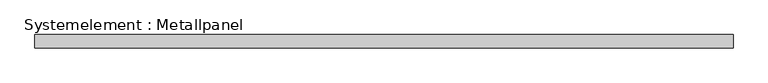
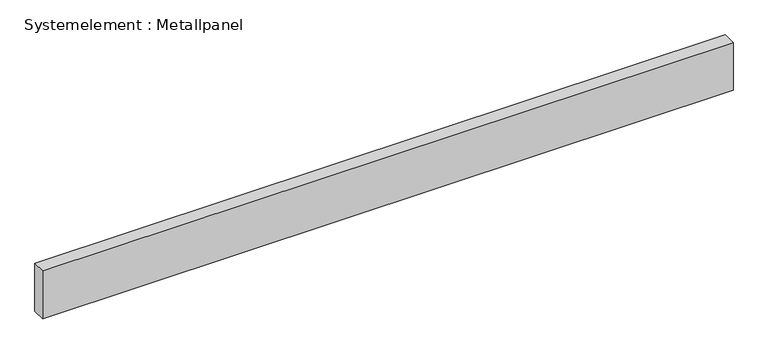
"""IFC4 building model written with IfcOpenShell, lengths in millimetres: plate geometry, Systemelement : Metallpanel."""

from ifc_helpers import new_model, si_unit, origin, origin_with_axes, place, context, project, spatial, polyline, outline, extrude, source, transform, mapped, element, save


def systemelement_metallpanel_48562e2d(model_context):
    return source(origin(), model_context, "Body", "SweptSolid", [
        extrude(outline(polyline([(782.5, -15.0), (-782.5, -15.0), (-782.5, 15.0), (782.5, 15.0), (782.5, -15.0)])), origin_with_axes(), (0.0, 0.0, 1.0), 115.0),
    ])


if __name__ == "__main__":
    model = new_model("IFC4")
    model_context = context("Model", 3, world=origin())
    ifc_project = project(units=[si_unit("LENGTHUNIT", "METRE", prefix="MILLI")], contexts=[model_context])
    site = spatial("IfcSite", under=ifc_project)
    building = spatial("IfcBuilding", under=site)
    placement = place(None, origin())
    systemelement_metallpanel_shape = systemelement_metallpanel_48562e2d(model_context)
    element("IfcPlate", 1, ObjectType="Systemelement : Metallpanel", at=placement, inside=building, context=model_context, shape_type="MappedRepresentation", body=[
        mapped(systemelement_metallpanel_shape, transform((0.0, 0.0, 0.0), x_axis=(1.0, 0.0, 0.0), y_axis=(0.0, 1.0, 0.0), z_axis=(0.0, 0.0, 1.0))),
    ])
    save(model, "model.ifc")
